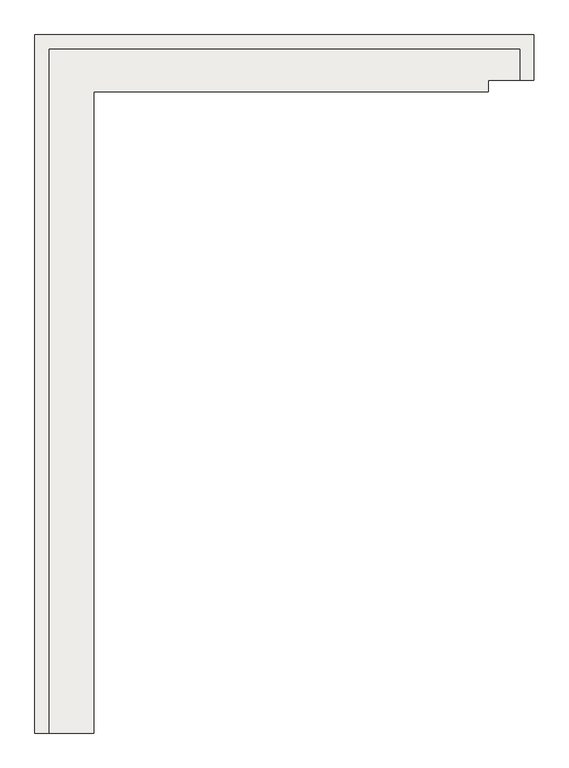
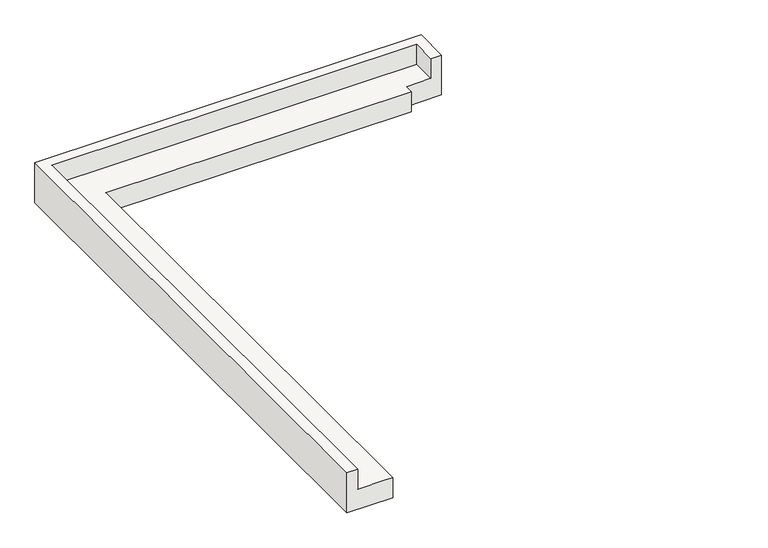
"""IFC4 building model written with IfcOpenShell, lengths in millimetres: slab geometry."""

from ifc_helpers import new_model, si_unit, origin, place, context, project, spatial, faceted_brep, source, transform, mapped, element, save


def slab_8bfde344(model_context):
    return source(origin(), model_context, "Body", "Brep", [
        faceted_brep([(13929.3852488, 10041.1764706, 3300.0), (13929.3852488, 10041.1764706, 3600.0), (13829.3852488, 10041.1764706, 3600.0), (13429.3852488, 10041.1764706, 3600.0), (13429.3852488, 10041.1764706, 3900.0), (13279.3852488, 10041.1764706, 3900.0), (13279.3852488, 10041.1764706, 3300.0), (18779.3852488, 17741.1764706, 3300.0), (18779.3852488, 17741.1764706, 3900.0), (18779.3852488, 17241.1764706, 3900.0), (18779.3852488, 17241.1764706, 3300.0), (13929.3852488, 17116.1764706, 3300.0), (13929.3852488, 17116.1764706, 3600.0), (13279.3852488, 17741.1764706, 3900.0), (13279.3852488, 17741.1764706, 3300.0), (13429.3852488, 17591.1764706, 3600.0), (13429.3852488, 17591.1764706, 3900.0), (18629.3852488, 17591.1764706, 3600.0), (18629.3852488, 17591.1764706, 3900.0), (18629.3852488, 17741.1764706, 3300.0), (18279.3852488, 17241.1764706, 3300.0), (18279.3852488, 17116.1764706, 3300.0), (18629.3852488, 17241.1764706, 3900.0), (18279.3852488, 17116.1764706, 3600.0), (18279.3852488, 17191.9267622, 3600.0), (18279.3852488, 17241.1764706, 3600.0), (18629.3852488, 17241.1764706, 3600.0)], [[[0, 1, 2, 3, 4, 5, 6]], [[7, 8, 9, 10]], [[1, 0, 11, 12]], [[6, 5, 13, 14]], [[4, 3, 15, 16]], [[16, 15, 17, 18]], [[8, 7, 19, 14, 13]], [[6, 14, 19, 7, 10, 20, 21, 11, 0]], [[4, 16, 18, 22, 9, 8, 13, 5]], [[15, 3, 2, 1, 12, 23, 24, 25, 26, 17]], [[22, 18, 17, 26]], [[9, 22, 26, 25, 20, 10]], [[12, 11, 21, 23]], [[20, 25, 24, 23, 21]]]),
    ])


if __name__ == "__main__":
    model = new_model("IFC4")
    model_context = context("Model", 3, world=origin())
    ifc_project = project(units=[si_unit("LENGTHUNIT", "METRE", prefix="MILLI")], contexts=[model_context])
    site = spatial("IfcSite", under=ifc_project)
    building = spatial("IfcBuilding", under=site)
    placement = place(None, origin())
    slab_shape = slab_8bfde344(model_context)
    element("IfcSlab", 1, at=placement, inside=building, context=model_context, shape_type="MappedRepresentation", body=[
        mapped(slab_shape, transform((0.0, 0.0, 0.0), x_axis=(1.0, 0.0, 0.0), y_axis=(0.0, 1.0, 0.0), z_axis=(0.0, 0.0, 1.0))),
    ])
    save(model, "model.ifc")
